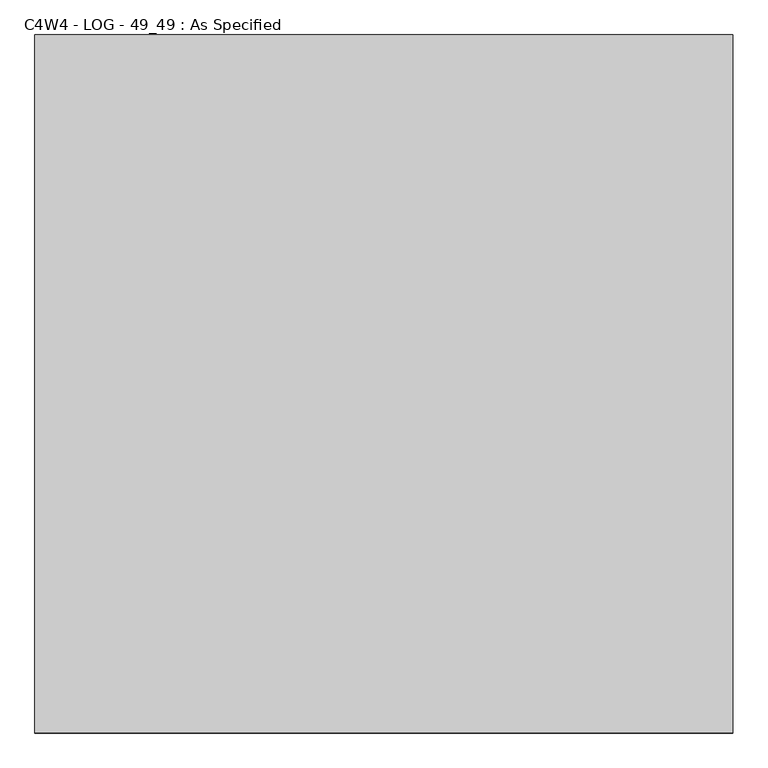
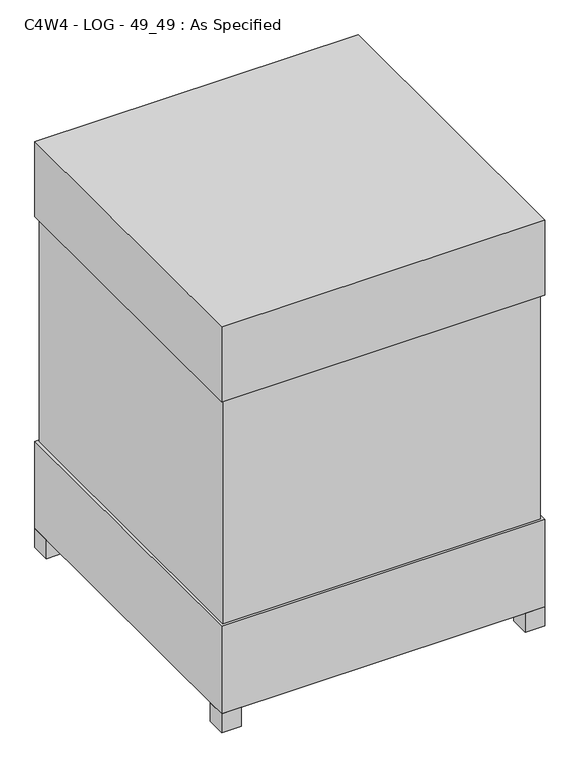
"""IFC4 building model written with IfcOpenShell, lengths in millimetres: proxy geometry, C4W4 - LOG - 49_49 : As Specified."""

from ifc_helpers import new_model, si_unit, frame, origin, origin_with_axes, place, context, project, spatial, polyline, outline, extrude, source, transform, mapped, element, save


def c4w4_log_49_49_as_specified_98d054b1(model_context):
    return source(origin(), model_context, "Body", "SweptSolid", [
        extrude(outline(polyline([(611.1875, 611.1875), (611.1875, -611.1875), (-611.1875, -611.1875), (-611.1875, 611.1875), (611.1875, 611.1875)])), frame((0.0, 0.0, 431.8), z_axis=(0.0, 0.0, 1.0), x_axis=(1.0, 0.0, 0.0)), (0.0, 0.0, 1.0), 914.4),
        extrude(outline(polyline([(622.3, 622.3), (622.3, -622.3), (-622.3, -622.3), (-622.3, 622.3), (622.3, 622.3)])), frame((0.0, 0.0, 1346.2), z_axis=(0.0, 0.0, 1.0), x_axis=(1.0, 0.0, 0.0)), (0.0, 0.0, 1.0), 304.8),
        extrude(outline(polyline([(508.0, 406.4), (508.0, 330.2), (431.8, 330.2), (431.8, 406.4), (508.0, 406.4)])), frame((0.0, 0.0, 50.8), z_axis=(0.0, 0.0, 1.0), x_axis=(1.0, 0.0, 0.0)), (0.0, 0.0, 1.0), 25.4),
        extrude(outline(polyline([(508.0, -330.2), (508.0, -406.4), (431.8, -406.4), (431.8, -330.2), (508.0, -330.2)])), frame((0.0, 0.0, 50.8), z_axis=(0.0, 0.0, 1.0), x_axis=(1.0, 0.0, 0.0)), (0.0, 0.0, 1.0), 25.4),
        extrude(outline(polyline([(-546.1, 622.3), (-546.1, 546.1), (-622.3, 546.1), (-622.3, 622.3), (-546.1, 622.3)])), origin_with_axes(), (0.0, 0.0, 1.0), 76.2),
        extrude(outline(polyline([(622.3, 622.3), (622.3, 546.1), (546.1, 546.1), (546.1, 622.3), (622.3, 622.3)])), origin_with_axes(), (0.0, 0.0, 1.0), 76.2),
        extrude(outline(polyline([(622.3, -546.1), (622.3, -622.3), (546.1, -622.3), (546.1, -546.1), (622.3, -546.1)])), origin_with_axes(), (0.0, 0.0, 1.0), 76.2),
        extrude(outline(polyline([(-546.1, -546.1), (-546.1, -622.3), (-622.3, -622.3), (-622.3, -546.1), (-546.1, -546.1)])), origin_with_axes(), (0.0, 0.0, 1.0), 76.2),
        extrude(outline(polyline([(622.3, 622.3), (622.3, -622.3), (-622.3, -622.3), (-622.3, 622.3), (622.3, 622.3)])), frame((0.0, 0.0, 76.2), z_axis=(0.0, 0.0, 1.0), x_axis=(1.0, 0.0, 0.0)), (0.0, 0.0, 1.0), 355.6),
    ])


if __name__ == "__main__":
    model = new_model("IFC4")
    model_context = context("Model", 3, world=origin())
    ifc_project = project(units=[si_unit("LENGTHUNIT", "METRE", prefix="MILLI")], contexts=[model_context])
    site = spatial("IfcSite", under=ifc_project)
    building = spatial("IfcBuilding", under=site)
    placement = place(None, origin())
    c4w4_log_49_49_as_specified_shape = c4w4_log_49_49_as_specified_98d054b1(model_context)
    element("IfcBuildingElementProxy", 1, Name="C4W4 - LOG - 49_49 : As Specified", ObjectType="C4W4 - LOG - 49_49 : As Specified", at=placement, inside=building, context=model_context, shape_type="MappedRepresentation", body=[
        mapped(c4w4_log_49_49_as_specified_shape, transform((0.0, 0.0, 0.0), x_axis=(1.0, 0.0, 0.0), y_axis=(0.0, 1.0, 0.0), z_axis=(0.0, 0.0, 1.0))),
    ])
    save(model, "model.ifc")
